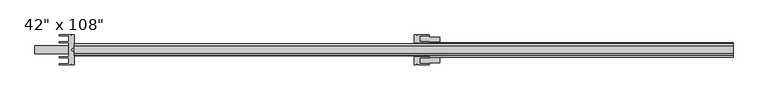
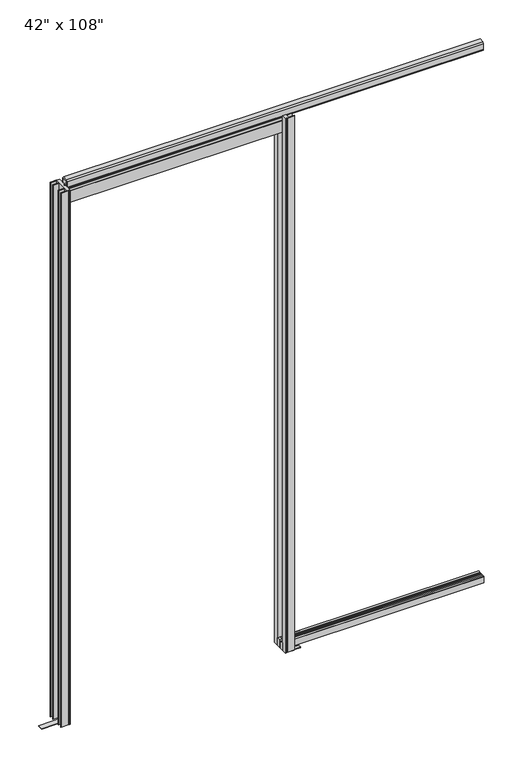
"""IFC4 building model written with IfcOpenShell, lengths in millimetres: furniture geometry."""

from ifc_helpers import new_model, si_unit, frame, origin, origin_with_axes, place, context, project, spatial, polyline, outline, extrude, source, transform, mapped, element, save


def furniture_7bccb918(model_context):
    return source(origin(), model_context, "Body", "SweptSolid", [
        extrude(outline(polyline([(422.3729771, 16.432279), (422.3729771, 0.5622784), (409.6729771, 0.5622784), (409.6729771, 16.432279), (422.3729771, 16.432279)])), frame((0.0, 0.0, 3.2004), z_axis=(0.0, 0.0, 1.0), x_axis=(1.0, 0.0, 0.0)), (0.0, 0.0, 1.0), 36.3253717),
        extrude(outline(polyline([(422.3729771, -25.4677223), (409.6729771, -25.4677223), (409.6729771, -9.5977216), (422.3729771, -9.5977216), (422.3729771, -25.4677223)])), frame((0.0, 0.0, 3.2004), z_axis=(0.0, 0.0, 1.0), x_axis=(1.0, 0.0, 0.0)), (0.0, 0.0, 1.0), 36.3253717),
        extrude(outline(polyline([(-21.5977, 2655.4346545), (-21.5977, 2668.1346545), (-20.0102, 2668.1346545), (-20.0102, 2654.3), (-21.5977, 2654.3), (-21.5977, 2596.684434), (-23.1852, 2596.684434), (-23.1852, 2655.4346545), (-21.5977, 2655.4346545)])), frame((-609.5020229, 0.0, 0.0), z_axis=(1.0, 0.0, 0.0), x_axis=(0.0, 1.0, 0.0)), (0.0, 0.0, 1.0), 1060.45),
        extrude(outline(polyline([(12.5622567, 2655.4346545), (14.1497567, 2655.4346545), (14.1497567, 2596.684434), (12.5622567, 2596.684434), (12.5622567, 2654.3), (10.9747567, 2654.3), (10.9747567, 2668.1346545), (12.5622567, 2668.1346545), (12.5622567, 2655.4346545)])), frame((-609.5020229, 0.0, 0.0), z_axis=(1.0, 0.0, 0.0), x_axis=(0.0, 1.0, 0.0)), (0.0, 0.0, 1.0), 1060.45),
        extrude(outline(polyline([(-25.2677632, 6.2508325), (-25.2677632, 38.0406764), (-26.3661972, 38.0406764), (-26.3661972, 39.5257717), (-16.7302423, 39.5257717), (-16.7302423, 36.6440035), (-9.5977216, 38.4007679), (-9.5977216, 32.6992355), (-16.7302423, 34.4559989), (-16.7302423, 31.4638536), (-19.836125, 31.4638536), (-19.836125, 38.0406764), (-23.6802632, 38.0406764), (-23.6802632, 7.8383325), (14.64482, 7.8383325), (14.64482, 38.0406764), (10.8006817, 38.0406764), (10.8006817, 31.4638536), (7.6947991, 31.4638536), (7.6947991, 34.4559989), (0.5622784, 32.6992355), (0.5622784, 38.4007679), (7.6947991, 36.6440035), (7.6947991, 39.5257717), (17.3307539, 39.5257717), (17.3307539, 38.0406764), (16.23232, 38.0406764), (16.23232, 6.2508325), (-25.2677632, 6.2508325)])), frame((422.3729771, 0.0, 0.0), z_axis=(1.0, 0.0, 0.0), x_axis=(0.0, 1.0, 0.0)), (0.0, 0.0, 1.0), 942.975),
        extrude(outline(polyline([(2.4974262, 2670.225733), (2.4974262, 2675.1478891), (8.8474262, 2675.1478891), (8.8474262, 2703.1964345), (-17.8828695, 2703.1964345), (-17.8828695, 2675.1478891), (-11.5328695, 2675.1478891), (-11.5328695, 2670.225733), (-20.1544981, 2670.225733), (-21.7636166, 2677.4482324), (-21.7636166, 2704.9372418), (-15.2508585, 2711.45), (6.2154152, 2711.45), (12.7281734, 2704.9372418), (12.7281734, 2677.4482324), (11.1190549, 2670.225733), (2.4974262, 2670.225733)])), frame((-609.5020229, 0.0, 0.0), z_axis=(1.0, 0.0, 0.0), x_axis=(0.0, 1.0, 0.0)), (0.0, 0.0, 1.0), 1974.85),
        extrude(outline(polyline([(-726.8182729, 7.3885284), (-610.1370229, 7.3885284), (-610.1370229, -16.4239716), (-726.8182729, -16.4239716), (-726.8182729, 7.3885284)])), origin_with_axes(), (0.0, 0.0, 1.0), 3.2003621),
        extrude(outline(polyline([(485.8729771, 33.4322875), (485.8729771, 19.43227), (454.1229771, 19.43227), (454.1229771, -28.4677132), (485.8729771, -28.4677132), (485.8729771, -42.4677308), (454.1229771, -42.4677308), (454.1229771, -44.9677235), (423.1229434, -44.9677235), (423.1229434, -42.4677308), (420.0229509, -42.4677308), (420.0229509, -32.9660865), (423.1229434, -32.9660865), (423.1229434, -26.46769), (447.7729286, -26.46769), (447.7729286, 17.4322467), (423.1229434, 17.4322467), (423.1229434, 23.9306433), (420.0229509, 23.9306433), (420.0229509, 33.4322875), (423.1229434, 33.4322875), (423.1229434, 35.9322803), (454.1229771, 35.9322803), (454.1229771, 33.4322875), (485.8729771, 33.4322875)])), origin_with_axes(), (0.0, 0.0, 1.0), 3.2003621),
        extrude(outline(polyline([(-609.5020229, 39.9322784), (-609.5020229, 3.4187619), (-617.2703135, -3.0996078), (-617.2703135, -5.9358354), (-609.5020229, -12.4542052), (-609.5020229, -48.9677216), (-615.8520229, -48.9677216), (-615.8520229, -46.4551566), (-619.8516276, -46.4551566), (-619.8516276, -48.9677216), (-653.9520229, -48.9677216), (-653.9520229, -46.167723), (-626.1196047, -46.167723), (-626.1196047, -28.7677224), (-653.9520229, -28.7677224), (-653.9520229, -25.4677223), (-626.1196047, -25.4677223), (-626.1196047, 16.432279), (-653.9520229, 16.432279), (-653.9520229, 19.7322791), (-626.1196047, 19.7322791), (-626.1196047, 37.1322797), (-653.9520229, 37.1322797), (-653.9520229, 39.9322784), (-619.8516276, 39.9322784), (-619.8516276, 37.4197133), (-615.8520229, 37.4197133), (-615.8520229, 39.9322784), (-609.5020229, 39.9322784)])), frame((0.0, 0.0, 3.2003621), z_axis=(0.0, 0.0, 1.0), x_axis=(1.0, 0.0, 0.0)), (0.0, 0.0, 1.0), 2676.4996379),
        extrude(outline(polyline([(409.6729771, 39.9322784), (416.0229771, 39.9322784), (416.0229771, 37.4197133), (420.0225817, 37.4197133), (420.0225817, 39.9322784), (454.1229771, 39.9322784), (454.1229771, 37.1322797), (426.2905588, 37.1322797), (426.2905588, 19.7322791), (454.1229771, 19.7322791), (454.1229771, 16.432279), (409.6729771, 16.432279), (409.6729771, 39.9322784)])), frame((0.0, 0.0, 3.2003621), z_axis=(0.0, 0.0, 1.0), x_axis=(1.0, 0.0, 0.0)), (0.0, 0.0, 1.0), 2676.4996379),
        extrude(outline(polyline([(409.6729771, -48.9677216), (409.6729771, -25.4677223), (454.1229771, -25.4677223), (454.1229771, -28.7677224), (426.2905588, -28.7677224), (426.2905588, -46.167723), (454.1229771, -46.167723), (454.1229771, -48.9677216), (420.0225817, -48.9677216), (420.0225817, -46.4551566), (416.0229771, -46.4551566), (416.0229771, -48.9677216), (409.6729771, -48.9677216)])), frame((0.0, 0.0, 3.2003621), z_axis=(0.0, 0.0, 1.0), x_axis=(1.0, 0.0, 0.0)), (0.0, 0.0, 1.0), 2676.4996379),
    ])


if __name__ == "__main__":
    model = new_model("IFC4")
    model_context = context("Model", 3, world=origin())
    ifc_project = project(units=[si_unit("LENGTHUNIT", "METRE", prefix="MILLI")], contexts=[model_context])
    site = spatial("IfcSite", under=ifc_project)
    building = spatial("IfcBuilding", under=site)
    placement = place(None, origin())
    furniture_shape = furniture_7bccb918(model_context)
    element("IfcFurniture", 1, ObjectType="42\" x 108\"", at=placement, inside=building, context=model_context, shape_type="MappedRepresentation", body=[
        mapped(furniture_shape, transform((0.0, 0.0, 0.0), x_axis=(1.0, 0.0, 0.0), y_axis=(0.0, 1.0, 0.0), z_axis=(0.0, 0.0, 1.0))),
    ])
    save(model, "model.ifc")
